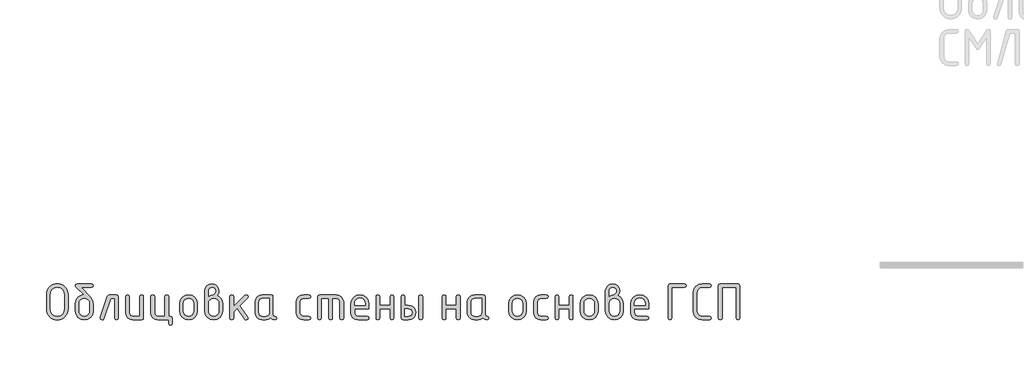
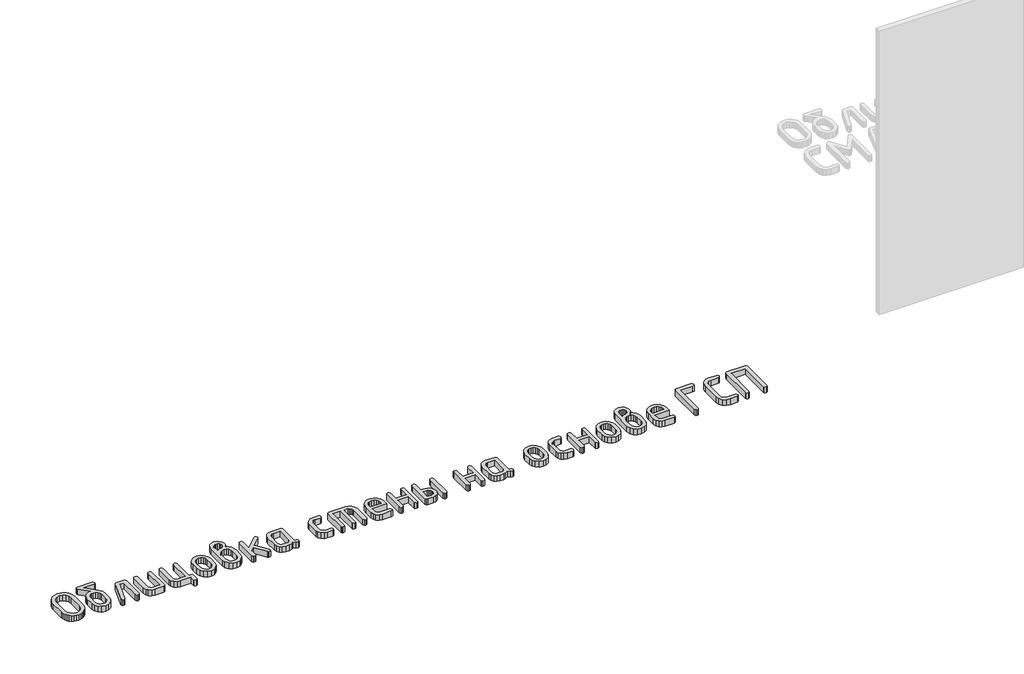
# One storey, part 27 of 33: 1 proxy.
"""IFC4 building model written with IfcOpenShell, lengths in millimetres."""

from ifc_helpers import new_model, si_unit, origin, origin_with_axes, place, context, project, spatial, polyline, outline, extrude, element, save

model = new_model("IFC4")

# Units and contexts
model_context = context("Model", 3, world=origin())
ifc_project = project(units=[si_unit("LENGTHUNIT", "METRE", prefix="MILLI")], contexts=[model_context])

# Site, building, storey
site = spatial("IfcSite", under=ifc_project)
building = spatial("IfcBuilding", under=site)
storey = spatial("IfcBuildingStorey", under=building, Elevation=0.0)

# Proxy
placement = place(None, origin())
element("IfcBuildingElementProxy", 1, Name="Generic Models", at=placement, inside=storey, context=model_context, shape_type="SweptSolid", body=[
    extrude(outline(polyline([(27438.3094796, 2766.9131141), (27436.6550838, 2748.6794526), (27431.6918963, 2731.8278169), (27423.4199171, 2716.358207), (27411.8391462, 2702.2706229), (27397.9180104, 2690.5486231), (27382.6249367, 2682.1757661), (27365.9599249, 2677.1520519), (27347.9229751, 2675.4774805), (27329.8860253, 2677.1520519), (27313.2210135, 2682.1757661), (27297.9279398, 2690.5486231), (27284.006804, 2702.2706229), (27272.4260331, 2716.358207), (27264.1540539, 2731.8278169), (27259.1908664, 2748.6794526), (27257.5364706, 2766.9131141), (27257.5364706, 2888.7734907), (27259.1908664, 2907.0071522), (27264.1540539, 2923.8587879), (27272.4260331, 2939.3283978), (27284.006804, 2953.4159819), (27297.9279398, 2965.1379817), (27313.2210135, 2973.5108387), (27329.8860253, 2978.5345529), (27347.9229751, 2980.2091243), (27366.0582807, 2978.5421188), (27382.7762534, 2973.5411021), (27398.076893, 2965.2060742), (27411.9601995, 2953.5370353), (27423.4880096, 2939.4872803), (27431.7221596, 2924.0101046), (27436.6626496, 2907.1055081), (27438.3094796, 2888.7734907), (27438.3094796, 2766.9131141)]), holes=[polyline([(27407.3198209, 2767.1552208), (27407.3198209, 2888.531384), (27403.0123391, 2912.0560859), (27390.0898935, 2931.6263781), (27370.9332002, 2944.8211938), (27347.9229751, 2949.2194656), (27324.91275, 2944.8211938), (27305.7560567, 2931.6263781), (27292.8336111, 2912.0560859), (27288.5261293, 2888.531384), (27288.5261293, 2767.1552208), (27292.8336111, 2743.6305189), (27305.7560567, 2724.0602266), (27324.91275, 2710.865411), (27347.9229751, 2706.4671392), (27370.9332002, 2710.865411), (27390.0898935, 2724.0602266), (27403.0123391, 2743.6305189), (27407.3198209, 2767.1552208)])]), origin_with_axes(), (0.0, 0.0, 1.0), 50.0),
    extrude(outline(polyline([(27650.0721474, 2812.348473), (27650.0721474, 2751.498987), (27644.5944831, 2722.2746897), (27628.1614903, 2697.7109465), (27603.9609072, 2681.035847), (27575.1804722, 2675.4774805), (27546.4000372, 2681.0459348), (27522.1994542, 2697.7512976), (27505.7664613, 2722.3654797), (27500.288797, 2751.6603914), (27500.288797, 2812.5905798), (27502.8813564, 2834.0220674), (27510.6590344, 2852.3969578), (27523.6218311, 2867.715251), (27541.7697464, 2879.976947), (27557.4865069, 2886.5743548), (27572.033085, 2888.7734907), (27505.4537402, 2955.7563468), (27500.288797, 2964.714295), (27504.0212755, 2976.335417), (27515.2187107, 2980.2091243), (27635.1422337, 2980.2091243), (27646.339669, 2976.335417), (27650.0721474, 2964.714295), (27646.339669, 2953.093173), (27635.1422337, 2949.2194656), (27550.162779, 2949.2194656), (27625.5386676, 2868.8400384), (27643.9387775, 2841.5626825), (27650.0721474, 2812.348473)]), holes=[polyline([(27619.0824887, 2751.9832004), (27619.0824887, 2812.5905798), (27615.864487, 2830.0222628), (27606.210482, 2844.7100698), (27592.0169763, 2854.6969715), (27575.1804722, 2858.0259387), (27558.3439682, 2854.6969715), (27544.1504624, 2844.7100698), (27534.4964574, 2830.0222628), (27531.2784557, 2812.5905798), (27531.2784557, 2751.9832004), (27534.4661941, 2734.3901129), (27544.0294091, 2719.7023059), (27558.1926515, 2709.7759308), (27575.1804722, 2706.4671392), (27592.0169763, 2709.7961064), (27606.210482, 2719.7830081), (27615.864487, 2734.4909907), (27619.0824887, 2751.9832004)])]), origin_with_axes(), (0.0, 0.0, 1.0), 50.0),
    extrude(outline(polyline([(27785.4097975, 2887.2401482), (27846.3399858, 2887.2401482), (27857.9611079, 2883.4673187), (27861.8348152, 2872.1488301), (27861.8348152, 2690.5687986), (27857.9611079, 2679.25031), (27846.3399858, 2675.4774805), (27834.7188638, 2679.25031), (27830.8451565, 2690.5687986), (27830.8451565, 2856.2504895), (27796.2238972, 2856.2504895), (27739.0867139, 2685.7266645), (27733.7805419, 2678.0397765), (27724.8024181, 2675.4774805), (27713.4234028, 2679.3108367), (27709.6303977, 2690.8109053), (27710.3567179, 2695.4109328), (27770.2377771, 2874.8927061), (27776.1290404, 2884.1532877), (27785.4097975, 2887.2401482)])), origin_with_axes(), (0.0, 0.0, 1.0), 50.0),
    extrude(outline(polyline([(28073.597483, 2872.1488301), (28073.597483, 2690.5687986), (28069.844829, 2679.25031), (28058.586867, 2675.4774805), (27983.6951918, 2675.4774805), (27960.4731234, 2679.8555768), (27941.1651134, 2692.9898657), (27928.1518778, 2712.4996313), (27923.8141326, 2736.0041576), (27923.8141326, 2872.1488301), (27927.6878399, 2883.4673187), (27939.3089619, 2887.2401482), (27950.930084, 2883.4673187), (27954.8037913, 2872.1488301), (27954.8037913, 2736.5690733), (27956.9625761, 2725.1396191), (27963.4389306, 2715.3847363), (27972.9214433, 2708.6965384), (27984.098703, 2706.4671392), (28042.6078243, 2706.4671392), (28042.6078243, 2872.1488301), (28046.4815316, 2883.4673187), (28058.1026536, 2887.2401482), (28069.7237756, 2883.4673187), (28073.597483, 2872.1488301)])), origin_with_axes(), (0.0, 0.0, 1.0), 50.0),
    extrude(outline(polyline([(28300.8549801, 2706.4671392), (28312.4761021, 2702.5934318), (28316.3498094, 2690.9723098), (28316.3498094, 2644.4878218), (28312.4761021, 2632.8666997), (28300.8549801, 2628.9929924), (28289.2338581, 2632.8666997), (28285.3601507, 2644.4878218), (28285.3601507, 2675.4774805), (28195.4578596, 2675.4774805), (28172.2357912, 2679.8858401), (28152.9277811, 2693.1109191), (28139.9145456, 2712.650948), (28135.5768004, 2736.0041576), (28135.5768004, 2872.1488301), (28139.4505077, 2883.4673187), (28151.0716297, 2887.2401482), (28162.6927517, 2883.4673187), (28166.5664591, 2872.1488301), (28166.5664591, 2736.5690733), (28168.7252439, 2725.1396191), (28175.2015983, 2715.3847363), (28184.6841111, 2708.6965384), (28195.8613708, 2706.4671392), (28254.370492, 2706.4671392), (28254.370492, 2872.1488301), (28258.2441994, 2883.4673187), (28269.8653214, 2887.2401482), (28281.4864434, 2883.4673187), (28285.3601507, 2872.1488301), (28285.3601507, 2706.4671392), (28300.8549801, 2706.4671392)])), origin_with_axes(), (0.0, 0.0, 1.0), 50.0),
    extrude(outline(polyline([(28378.3291268, 2751.0954758), (28378.3291268, 2811.6221529), (28383.8067911, 2840.6951335), (28400.239784, 2865.1277355), (28424.440367, 2881.7120451), (28453.220802, 2887.2401482), (28482.3038704, 2881.7725717), (28506.4439268, 2865.3698422), (28522.6953396, 2840.9977669), (28528.1124772, 2811.6221529), (28528.1124772, 2751.0954758), (28522.6348129, 2722.0224952), (28506.2018201, 2697.5898932), (28482.001237, 2681.0055836), (28453.220802, 2675.4774805), (28424.440367, 2681.0055836), (28400.239784, 2697.5898932), (28383.8067911, 2722.0224952), (28378.3291268, 2751.0954758)]), holes=[polyline([(28497.1228185, 2751.9832004), (28497.1228185, 2812.5905798), (28493.9048169, 2830.0222628), (28484.2508118, 2844.7100698), (28470.0573061, 2854.6969715), (28453.220802, 2858.0259387), (28436.384298, 2854.6969715), (28422.1907922, 2844.7100698), (28412.5367872, 2830.0222628), (28409.3187855, 2812.5905798), (28409.3187855, 2751.9832004), (28412.5065239, 2734.3901129), (28422.0697389, 2719.7023059), (28436.2329813, 2709.7759308), (28453.220802, 2706.4671392), (28470.0573061, 2709.7961064), (28484.2508118, 2719.7830081), (28493.9048169, 2734.4909907), (28497.1228185, 2751.9832004)])]), origin_with_axes(), (0.0, 0.0, 1.0), 50.0),
    extrude(outline(polyline([(28694.9239994, 2882.5594185), (28713.4552504, 2871.1703155), (28727.7294585, 2854.5960937), (28736.8387234, 2834.5113247), (28739.875145, 2812.5905798), (28739.875145, 2751.6603914), (28734.3974807, 2722.214163), (28717.9644879, 2697.6302443), (28693.7639048, 2681.0156714), (28664.9834698, 2675.4774805), (28636.0517181, 2681.0459348), (28611.8813984, 2697.7512976), (28595.5391956, 2722.3654797), (28590.0917946, 2751.6603914), (28590.0917946, 2919.278936), (28594.419452, 2942.8843401), (28607.4024243, 2962.5353346), (28626.5792932, 2975.7906769), (28649.4886405, 2980.2091243), (28672.4988656, 2975.7604136), (28691.6555589, 2962.4142812), (28704.5780044, 2942.7330234), (28708.8854863, 2919.278936), (28705.3951146, 2898.5586369), (28694.9239994, 2882.5594185)]), holes=[polyline([(28708.8854863, 2751.9832004), (28708.8854863, 2812.5905798), (28705.697748, 2830.0222628), (28696.134533, 2844.7100698), (28681.9712905, 2854.6969715), (28664.9834698, 2858.0259387), (28647.9956491, 2854.6969715), (28633.8324066, 2844.7100698), (28624.2691916, 2830.0222628), (28621.0814533, 2812.5905798), (28621.0814533, 2751.9832004), (28624.2691916, 2734.3901129), (28633.8324066, 2719.7023059), (28647.9956491, 2709.7759308), (28664.9834698, 2706.4671392), (28681.9712905, 2709.7961064), (28696.134533, 2719.7830081), (28705.697748, 2734.4909907), (28708.8854863, 2751.9832004)]), polyline([(28621.0814533, 2872.471639), (28639.5622654, 2883.7901276), (28656.4290328, 2887.5629572), (28665.5080343, 2890.2059554), (28673.8607158, 2898.1349501), (28679.7318035, 2908.0007985), (28681.6888327, 2917.906998), (28679.5098723, 2929.7097), (28672.9729912, 2939.4544951), (28663.2080206, 2945.9913762), (28651.3447919, 2948.1703366), (28639.6934065, 2945.9611128), (28629.9183482, 2939.3334417), (28623.290677, 2929.5583833), (28621.0814533, 2917.906998), (28621.0814533, 2872.471639)])]), origin_with_axes(), (0.0, 0.0, 1.0), 50.0),
    extrude(outline(polyline([(28832.8441211, 2787.8149932), (28928.0727598, 2882.8822275), (28938.8868595, 2887.2401482), (28950.2658748, 2883.4673187), (28954.0588799, 2872.1488301), (28949.4588524, 2861.5768371), (28882.8795075, 2795.0781945), (28951.0728971, 2699.2846401), (28954.0588799, 2690.4073942), (28950.2658748, 2679.2099589), (28938.8868595, 2675.4774805), (28931.7447116, 2677.0915252), (28926.2973106, 2681.9336594), (28861.0899038, 2773.5306974), (28832.8441211, 2745.2849148), (28832.8441211, 2690.6495009), (28828.9704138, 2679.2704856), (28817.3492917, 2675.4774805), (28805.7281697, 2679.25031), (28801.8544624, 2690.5687986), (28801.8544624, 2872.1488301), (28805.7281697, 2883.4673187), (28817.3492917, 2887.2401482), (28828.9704138, 2883.4673187), (28832.8441211, 2872.1488301), (28832.8441211, 2787.8149932)])), origin_with_axes(), (0.0, 0.0, 1.0), 50.0),
    extrude(outline(polyline([(29193.6638191, 2690.5687986), (29189.8909896, 2679.25031), (29178.572501, 2675.4774805), (29159.4258954, 2679.4924167), (29144.1126461, 2691.5372255), (29125.6923607, 2679.4924167), (29103.5194213, 2675.4774805), (29073.4981894, 2675.4774805), (29050.276121, 2679.8555768), (29030.968111, 2692.9898657), (29017.9548754, 2712.4996313), (29013.6171302, 2736.0041576), (29013.6171302, 2826.7134711), (29017.9548754, 2850.2179974), (29030.968111, 2869.727763), (29050.276121, 2882.8620519), (29073.4981894, 2887.2401482), (29148.3898646, 2887.2401482), (29159.6478266, 2883.4673187), (29163.4004806, 2872.1488301), (29163.4004806, 2720.8321372), (29167.1833979, 2709.5136486), (29178.5321498, 2705.740819), (29189.8809018, 2701.9478139), (29193.6638191, 2690.5687986)]), holes=[polyline([(29132.4108219, 2856.2504895), (29073.9017006, 2856.2504895), (29062.6235631, 2854.0614414), (29053.1612259, 2847.4942969), (29046.7453981, 2837.8201163), (29044.6067889, 2826.3099599), (29044.6067889, 2736.4076688), (29046.7655737, 2724.9983901), (29053.2419281, 2715.304034), (29062.7244409, 2708.6763629), (29073.9017006, 2706.4671392), (29103.1159101, 2706.4671392), (29114.3940476, 2708.6561873), (29123.8563848, 2715.2233318), (29130.2722126, 2724.8975123), (29132.4108219, 2736.4076688), (29132.4108219, 2856.2504895)])]), origin_with_axes(), (0.0, 0.0, 1.0), 50.0),
    extrude(outline(polyline([(29390.6579777, 2826.3099599), (29390.6579777, 2736.4076688), (29392.8974647, 2724.9983901), (29399.6159259, 2715.304034), (29409.4212476, 2708.6763629), (29420.9213163, 2706.4671392), (29466.4373775, 2706.4671392), (29477.7558661, 2702.5934318), (29481.5286956, 2690.9723098), (29477.7558661, 2679.3511878), (29466.4373775, 2675.4774805), (29420.9213163, 2675.4774805), (29397.3764388, 2679.8555768), (29377.5842154, 2692.9898657), (29364.1472931, 2712.4996313), (29359.668319, 2736.0041576), (29359.668319, 2826.7134711), (29364.1472931, 2850.2179974), (29377.5842154, 2869.727763), (29397.3764388, 2882.8620519), (29420.9213163, 2887.2401482), (29466.4373775, 2887.2401482), (29477.7558661, 2883.3664409), (29481.5286956, 2871.7453189), (29477.7558661, 2860.1241969), (29466.4373775, 2856.2504895), (29420.9213163, 2856.2504895), (29409.2699309, 2854.0614414), (29399.4948725, 2847.4942969), (29392.8672014, 2837.8201163), (29390.6579777, 2826.3099599)])), origin_with_axes(), (0.0, 0.0, 1.0), 50.0),
    extrude(outline(polyline([(29555.9361574, 2887.2401482), (29695.3896216, 2887.2401482), (29719.2774835, 2882.8317886), (29739.291638, 2869.6067096), (29752.8496137, 2850.0666807), (29757.3689389, 2826.7134711), (29757.3689389, 2690.5687986), (29753.4952316, 2679.25031), (29741.8741096, 2675.4774805), (29730.2529876, 2679.25031), (29726.3792802, 2690.5687986), (29726.3792802, 2826.1485554), (29724.149881, 2837.880643), (29717.4616832, 2847.5749991), (29707.4848692, 2854.0816169), (29695.3896216, 2856.2504895), (29664.3999629, 2856.2504895), (29664.3999629, 2690.5687986), (29660.5262555, 2679.25031), (29648.9051335, 2675.4774805), (29637.2840115, 2679.25031), (29633.4103042, 2690.5687986), (29633.4103042, 2856.2504895), (29571.4309868, 2856.2504895), (29571.4309868, 2690.5687986), (29567.5572794, 2679.25031), (29555.9361574, 2675.4774805), (29544.3150354, 2679.25031), (29540.4413281, 2690.5687986), (29540.4413281, 2872.1488301), (29544.3150354, 2883.4673187), (29555.9361574, 2887.2401482)])), origin_with_axes(), (0.0, 0.0, 1.0), 50.0),
    extrude(outline(polyline([(29850.337915, 2768.4464566), (29850.337915, 2737.4567979), (29852.5774021, 2725.6641836), (29859.2958633, 2715.626843), (29869.101185, 2708.7570651), (29880.6012536, 2706.4671392), (29956.3806534, 2706.4671392), (29967.7596687, 2702.5934318), (29971.5526738, 2690.9723098), (29967.7596687, 2679.3511878), (29956.3806534, 2675.4774805), (29880.6012536, 2675.4774805), (29857.0563762, 2679.8555768), (29837.2641528, 2692.9898657), (29823.8272305, 2712.4996313), (29819.3482563, 2736.0041576), (29819.3482563, 2811.6221529), (29824.9671495, 2840.6951335), (29841.8238291, 2865.1277355), (29866.5489767, 2881.7120451), (29895.773274, 2887.2401482), (29925.2195025, 2881.8734495), (29949.6420167, 2865.7733534), (29966.0750095, 2841.8451404), (29971.5526738, 2812.9940909), (29971.5526738, 2768.4464566), (29850.337915, 2768.4464566)]), holes=[polyline([(29895.773274, 2860.0434946), (29878.341591, 2856.7145274), (29863.653784, 2846.7276257), (29853.6668823, 2832.0398187), (29850.337915, 2814.6081357), (29850.337915, 2799.4361153), (29941.208633, 2799.4361153), (29941.208633, 2814.6081357), (29937.8796658, 2832.0398187), (29927.892764, 2846.7276257), (29913.204957, 2856.7145274), (29895.773274, 2860.0434946)])]), origin_with_axes(), (0.0, 0.0, 1.0), 50.0),
    extrude(outline(polyline([(30062.1005828, 2768.4464566), (30062.1005828, 2690.9723098), (30058.2268755, 2679.3511878), (30046.6057535, 2675.4774805), (30034.9846315, 2679.25031), (30031.1109241, 2690.5687986), (30031.1109241, 2872.1488301), (30034.9846315, 2883.4673187), (30046.6057535, 2887.2401482), (30058.2268755, 2883.588372), (30062.1005828, 2872.6330435), (30062.1005828, 2799.4361153), (30149.9046158, 2799.4361153), (30149.9046158, 2872.6330435), (30153.7783231, 2883.588372), (30165.3994452, 2887.2401482), (30177.0205672, 2883.4673187), (30180.8942745, 2872.1488301), (30180.8942745, 2690.5687986), (30177.0205672, 2679.25031), (30165.3994452, 2675.4774805), (30153.7783231, 2679.3511878), (30149.9046158, 2690.9723098), (30149.9046158, 2768.4464566), (30062.1005828, 2768.4464566)])), origin_with_axes(), (0.0, 0.0, 1.0), 50.0),
    extrude(outline(polyline([(30392.6569423, 2872.1488301), (30396.5306496, 2883.4673187), (30408.1517716, 2887.2401482), (30419.7728936, 2883.4673187), (30423.646601, 2872.1488301), (30423.646601, 2690.5687986), (30419.7728936, 2679.25031), (30408.1517716, 2675.4774805), (30396.5306496, 2679.25031), (30392.6569423, 2690.5687986), (30392.6569423, 2872.1488301)])), origin_with_axes(), (0.0, 0.0, 1.0), 50.0),
    extrude(outline(polyline([(30364.7339686, 2737.4567979), (30360.3457845, 2713.4176192), (30347.1812322, 2693.433728), (30327.6412032, 2679.9665423), (30304.1265892, 2675.4774805), (30258.3684212, 2675.4774805), (30246.7472992, 2679.25031), (30242.8735919, 2690.5687986), (30242.8735919, 2872.1488301), (30246.7472992, 2883.4673187), (30258.3684212, 2887.2401482), (30269.9895433, 2883.588372), (30273.8632506, 2872.6330435), (30273.8632506, 2799.4361153), (30304.1265892, 2799.4361153), (30327.6412032, 2794.9470534), (30347.1812322, 2781.4798677), (30360.3457845, 2761.4959765), (30364.7339686, 2737.4567979)]), holes=[polyline([(30334.47063, 2737.4567979), (30332.2916696, 2749.5520455), (30325.7547885, 2759.5288595), (30315.9898179, 2766.2170573), (30304.1265892, 2768.4464566), (30273.8632506, 2768.4464566), (30273.8632506, 2706.4671392), (30304.1265892, 2706.4671392), (30315.8385012, 2708.7268018), (30325.6337351, 2715.5057896), (30332.2614063, 2725.5128669), (30334.47063, 2737.4567979)])]), origin_with_axes(), (0.0, 0.0, 1.0), 50.0),
    extrude(outline(polyline([(30619.9144394, 2768.4464566), (30619.9144394, 2690.9723098), (30616.0407321, 2679.3511878), (30604.4196101, 2675.4774805), (30592.798488, 2679.25031), (30588.9247807, 2690.5687986), (30588.9247807, 2872.1488301), (30592.798488, 2883.4673187), (30604.4196101, 2887.2401482), (30616.0407321, 2883.588372), (30619.9144394, 2872.6330435), (30619.9144394, 2799.4361153), (30707.7184724, 2799.4361153), (30707.7184724, 2872.6330435), (30711.5921797, 2883.588372), (30723.2133017, 2887.2401482), (30734.8344237, 2883.4673187), (30738.7081311, 2872.1488301), (30738.7081311, 2690.5687986), (30734.8344237, 2679.25031), (30723.2133017, 2675.4774805), (30711.5921797, 2679.3511878), (30707.7184724, 2690.9723098), (30707.7184724, 2768.4464566), (30619.9144394, 2768.4464566)])), origin_with_axes(), (0.0, 0.0, 1.0), 50.0),
    extrude(outline(polyline([(30980.7341374, 2690.5687986), (30976.9613079, 2679.25031), (30965.6428193, 2675.4774805), (30946.4962137, 2679.4924167), (30931.1829644, 2691.5372255), (30912.762679, 2679.4924167), (30890.5897396, 2675.4774805), (30860.5685077, 2675.4774805), (30837.3464393, 2679.8555768), (30818.0384293, 2692.9898657), (30805.0251937, 2712.4996313), (30800.6874485, 2736.0041576), (30800.6874485, 2826.7134711), (30805.0251937, 2850.2179974), (30818.0384293, 2869.727763), (30837.3464393, 2882.8620519), (30860.5685077, 2887.2401482), (30935.4601829, 2887.2401482), (30946.7181449, 2883.4673187), (30950.4707989, 2872.1488301), (30950.4707989, 2720.8321372), (30954.2537162, 2709.5136486), (30965.6024681, 2705.740819), (30976.9512201, 2701.9478139), (30980.7341374, 2690.5687986)]), holes=[polyline([(30919.4811402, 2856.2504895), (30860.9720189, 2856.2504895), (30849.6938814, 2854.0614414), (30840.2315442, 2847.4942969), (30833.8157164, 2837.8201163), (30831.6771072, 2826.3099599), (30831.6771072, 2736.4076688), (30833.835892, 2724.9983901), (30840.3122465, 2715.304034), (30849.7947592, 2708.6763629), (30860.9720189, 2706.4671392), (30890.1862284, 2706.4671392), (30901.4643659, 2708.6561873), (30910.9267031, 2715.2233318), (30917.3425309, 2724.8975123), (30919.4811402, 2736.4076688), (30919.4811402, 2856.2504895)])]), origin_with_axes(), (0.0, 0.0, 1.0), 50.0),
    extrude(outline(polyline([(31146.7386373, 2751.0954758), (31146.7386373, 2811.6221529), (31152.2163016, 2840.6951335), (31168.6492944, 2865.1277355), (31192.8498775, 2881.7120451), (31221.6303125, 2887.2401482), (31250.7133808, 2881.7725717), (31274.8534372, 2865.3698422), (31291.1048501, 2840.9977669), (31296.5219877, 2811.6221529), (31296.5219877, 2751.0954758), (31291.0443234, 2722.0224952), (31274.6113305, 2697.5898932), (31250.4107475, 2681.0055836), (31221.6303125, 2675.4774805), (31192.8498775, 2681.0055836), (31168.6492944, 2697.5898932), (31152.2163016, 2722.0224952), (31146.7386373, 2751.0954758)]), holes=[polyline([(31265.532329, 2751.9832004), (31265.532329, 2812.5905798), (31262.3143273, 2830.0222628), (31252.6603223, 2844.7100698), (31238.4668165, 2854.6969715), (31221.6303125, 2858.0259387), (31204.7938085, 2854.6969715), (31190.6003027, 2844.7100698), (31180.9462977, 2830.0222628), (31177.728296, 2812.5905798), (31177.728296, 2751.9832004), (31180.9160343, 2734.3901129), (31190.4792493, 2719.7023059), (31204.6424918, 2709.7759308), (31221.6303125, 2706.4671392), (31238.4668165, 2709.7961064), (31252.6603223, 2719.7830081), (31262.3143273, 2734.4909907), (31265.532329, 2751.9832004)])]), origin_with_axes(), (0.0, 0.0, 1.0), 50.0),
    extrude(outline(polyline([(31389.4909638, 2826.3099599), (31389.4909638, 2736.4076688), (31391.7304508, 2724.9983901), (31398.448912, 2715.304034), (31408.2542337, 2708.6763629), (31419.7543023, 2706.4671392), (31465.2703636, 2706.4671392), (31476.5888522, 2702.5934318), (31480.3616817, 2690.9723098), (31476.5888522, 2679.3511878), (31465.2703636, 2675.4774805), (31419.7543023, 2675.4774805), (31396.2094249, 2679.8555768), (31376.4172015, 2692.9898657), (31362.9802792, 2712.4996313), (31358.5013051, 2736.0041576), (31358.5013051, 2826.7134711), (31362.9802792, 2850.2179974), (31376.4172015, 2869.727763), (31396.2094249, 2882.8620519), (31419.7543023, 2887.2401482), (31465.2703636, 2887.2401482), (31476.5888522, 2883.3664409), (31480.3616817, 2871.7453189), (31476.5888522, 2860.1241969), (31465.2703636, 2856.2504895), (31419.7543023, 2856.2504895), (31408.102917, 2854.0614414), (31398.3278586, 2847.4942969), (31391.7001875, 2837.8201163), (31389.4909638, 2826.3099599)])), origin_with_axes(), (0.0, 0.0, 1.0), 50.0),
    extrude(outline(polyline([(31570.2639728, 2768.4464566), (31570.2639728, 2690.9723098), (31566.3902655, 2679.3511878), (31554.7691435, 2675.4774805), (31543.1480215, 2679.25031), (31539.2743141, 2690.5687986), (31539.2743141, 2872.1488301), (31543.1480215, 2883.4673187), (31554.7691435, 2887.2401482), (31566.3902655, 2883.588372), (31570.2639728, 2872.6330435), (31570.2639728, 2799.4361153), (31658.0680058, 2799.4361153), (31658.0680058, 2872.6330435), (31661.9417132, 2883.588372), (31673.5628352, 2887.2401482), (31685.1839572, 2883.4673187), (31689.0576645, 2872.1488301), (31689.0576645, 2690.5687986), (31685.1839572, 2679.25031), (31673.5628352, 2675.4774805), (31661.9417132, 2679.3511878), (31658.0680058, 2690.9723098), (31658.0680058, 2768.4464566), (31570.2639728, 2768.4464566)])), origin_with_axes(), (0.0, 0.0, 1.0), 50.0),
    extrude(outline(polyline([(31751.0369819, 2751.0954758), (31751.0369819, 2811.6221529), (31756.5146462, 2840.6951335), (31772.947639, 2865.1277355), (31797.1482221, 2881.7120451), (31825.9286571, 2887.2401482), (31855.0117255, 2881.7725717), (31879.1517819, 2865.3698422), (31895.4031947, 2840.9977669), (31900.8203323, 2811.6221529), (31900.8203323, 2751.0954758), (31895.342668, 2722.0224952), (31878.9096752, 2697.5898932), (31854.7090921, 2681.0055836), (31825.9286571, 2675.4774805), (31797.1482221, 2681.0055836), (31772.947639, 2697.5898932), (31756.5146462, 2722.0224952), (31751.0369819, 2751.0954758)]), holes=[polyline([(31869.8306736, 2751.9832004), (31869.8306736, 2812.5905798), (31866.6126719, 2830.0222628), (31856.9586669, 2844.7100698), (31842.7651611, 2854.6969715), (31825.9286571, 2858.0259387), (31809.0921531, 2854.6969715), (31794.8986473, 2844.7100698), (31785.2446423, 2830.0222628), (31782.0266406, 2812.5905798), (31782.0266406, 2751.9832004), (31785.2143789, 2734.3901129), (31794.7775939, 2719.7023059), (31808.9408364, 2709.7759308), (31825.9286571, 2706.4671392), (31842.7651611, 2709.7961064), (31856.9586669, 2719.7830081), (31866.6126719, 2734.4909907), (31869.8306736, 2751.9832004)])]), origin_with_axes(), (0.0, 0.0, 1.0), 50.0),
    extrude(outline(polyline([(32067.6318545, 2882.5594185), (32086.1631055, 2871.1703155), (32100.4373135, 2854.5960937), (32109.5465784, 2834.5113247), (32112.5830001, 2812.5905798), (32112.5830001, 2751.6603914), (32107.1053358, 2722.214163), (32090.6723429, 2697.6302443), (32066.4717599, 2681.0156714), (32037.6913249, 2675.4774805), (32008.7595732, 2681.0459348), (31984.5892535, 2697.7512976), (31968.2470506, 2722.3654797), (31962.7996497, 2751.6603914), (31962.7996497, 2919.278936), (31967.1273071, 2942.8843401), (31980.1102794, 2962.5353346), (31999.2871482, 2975.7906769), (32022.1964955, 2980.2091243), (32045.2067206, 2975.7604136), (32064.3634139, 2962.4142812), (32077.2858595, 2942.7330234), (32081.5933414, 2919.278936), (32078.1029697, 2898.5586369), (32067.6318545, 2882.5594185)]), holes=[polyline([(31993.7893084, 2872.471639), (32012.2701205, 2883.7901276), (32029.1368878, 2887.5629572), (32038.2158894, 2890.2059554), (32046.5685709, 2898.1349501), (32052.4396585, 2908.0007985), (32054.3966878, 2917.906998), (32052.2177274, 2929.7097), (32045.6808463, 2939.4544951), (32035.9158757, 2945.9913762), (32024.052647, 2948.1703366), (32012.4012616, 2945.9611128), (32002.6262033, 2939.3334417), (31995.9985321, 2929.5583833), (31993.7893084, 2917.906998), (31993.7893084, 2872.471639)]), polyline([(32081.5933414, 2751.9832004), (32081.5933414, 2812.5905798), (32078.405603, 2830.0222628), (32068.8423881, 2844.7100698), (32054.6791456, 2854.6969715), (32037.6913249, 2858.0259387), (32020.7035042, 2854.6969715), (32006.5402617, 2844.7100698), (31996.9770467, 2830.0222628), (31993.7893084, 2812.5905798), (31993.7893084, 2751.9832004), (31996.9770467, 2734.3901129), (32006.5402617, 2719.7023059), (32020.7035042, 2709.7759308), (32037.6913249, 2706.4671392), (32054.6791456, 2709.7961064), (32068.8423881, 2719.7830081), (32078.405603, 2734.4909907), (32081.5933414, 2751.9832004)])]), origin_with_axes(), (0.0, 0.0, 1.0), 50.0),
    extrude(outline(polyline([(32205.5519762, 2768.4464566), (32205.5519762, 2737.4567979), (32207.7914632, 2725.6641836), (32214.5099244, 2715.626843), (32224.3152461, 2708.7570651), (32235.8153147, 2706.4671392), (32311.5947145, 2706.4671392), (32322.9737298, 2702.5934318), (32326.7667349, 2690.9723098), (32322.9737298, 2679.3511878), (32311.5947145, 2675.4774805), (32235.8153147, 2675.4774805), (32212.2704373, 2679.8555768), (32192.4782139, 2692.9898657), (32179.0412916, 2712.4996313), (32174.5623175, 2736.0041576), (32174.5623175, 2811.6221529), (32180.1812107, 2840.6951335), (32197.0378903, 2865.1277355), (32221.7630379, 2881.7120451), (32250.9873351, 2887.2401482), (32280.4335636, 2881.8734495), (32304.8560778, 2865.7733534), (32321.2890707, 2841.8451404), (32326.7667349, 2812.9940909), (32326.7667349, 2768.4464566), (32205.5519762, 2768.4464566)]), holes=[polyline([(32250.9873351, 2860.0434946), (32233.5556521, 2856.7145274), (32218.8678451, 2846.7276257), (32208.8809434, 2832.0398187), (32205.5519762, 2814.6081357), (32205.5519762, 2799.4361153), (32296.4226941, 2799.4361153), (32296.4226941, 2814.6081357), (32293.0937269, 2832.0398187), (32283.1068252, 2846.7276257), (32268.4190182, 2856.7145274), (32250.9873351, 2860.0434946)])]), origin_with_axes(), (0.0, 0.0, 1.0), 50.0),
    extrude(outline(polyline([(32520.6135063, 2949.2194656), (32520.6135063, 2690.6495009), (32516.7397989, 2679.2704856), (32505.1186769, 2675.4774805), (32493.4975549, 2679.2906611), (32489.6238476, 2690.7302031), (32489.6238476, 2964.9564017), (32493.4975549, 2976.3959437), (32505.1186769, 2980.2091243), (32626.6562446, 2980.2091243), (32638.0352599, 2976.335417), (32641.828265, 2964.714295), (32638.0352599, 2953.093173), (32626.6562446, 2949.2194656), (32520.6135063, 2949.2194656)])), origin_with_axes(), (0.0, 0.0, 1.0), 50.0),
    extrude(outline(polyline([(32838.4189124, 2980.2091243), (32849.7979277, 2976.335417), (32853.5909328, 2964.714295), (32849.7979277, 2953.093173), (32838.4189124, 2949.2194656), (32777.811533, 2949.2194656), (32754.9324491, 2943.5904847), (32738.5902462, 2926.7035417), (32733.9296921, 2915.6675109), (32732.3761741, 2903.7034044), (32732.3761741, 2751.9832004), (32735.7051413, 2734.4909907), (32745.692043, 2719.7830081), (32760.37985, 2709.7961064), (32777.811533, 2706.4671392), (32838.4189124, 2706.4671392), (32849.7979277, 2702.5934318), (32853.5909328, 2690.9723098), (32849.7979277, 2679.3511878), (32838.4189124, 2675.4774805), (32777.811533, 2675.4774805), (32748.5872357, 2681.0459348), (32723.8620881, 2697.7512976), (32707.0054085, 2722.3654797), (32701.3865154, 2751.6603914), (32701.3865154, 2904.0262134), (32707.0054085, 2933.3211251), (32723.8620881, 2957.9353071), (32748.5872357, 2974.64067), (32777.811533, 2980.2091243), (32838.4189124, 2980.2091243)])), origin_with_axes(), (0.0, 0.0, 1.0), 50.0),
    extrude(outline(polyline([(32928.2405013, 2980.2091243), (33078.830874, 2980.2091243), (33090.1493627, 2976.3959437), (33093.9221922, 2964.9564017), (33093.9221922, 2690.7302031), (33090.0484849, 2679.2906611), (33078.4273629, 2675.4774805), (33066.8062408, 2679.2704856), (33062.9325335, 2690.6495009), (33062.9325335, 2949.2194656), (32944.1388418, 2949.2194656), (32944.1388418, 2690.6495009), (32940.2651345, 2679.2704856), (32928.6440125, 2675.4774805), (32917.0228905, 2679.2906611), (32913.1491831, 2690.7302031), (32913.1491831, 2964.9564017), (32916.9220127, 2976.3959437), (32928.2405013, 2980.2091243)])), origin_with_axes(), (0.0, 0.0, 1.0), 50.0),
])

save(model, "model.ifc")
